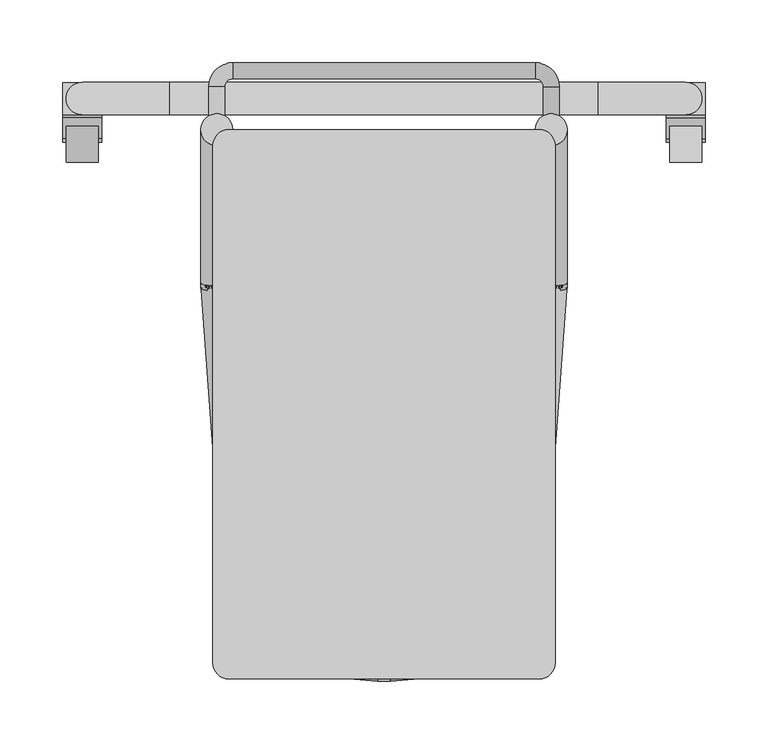
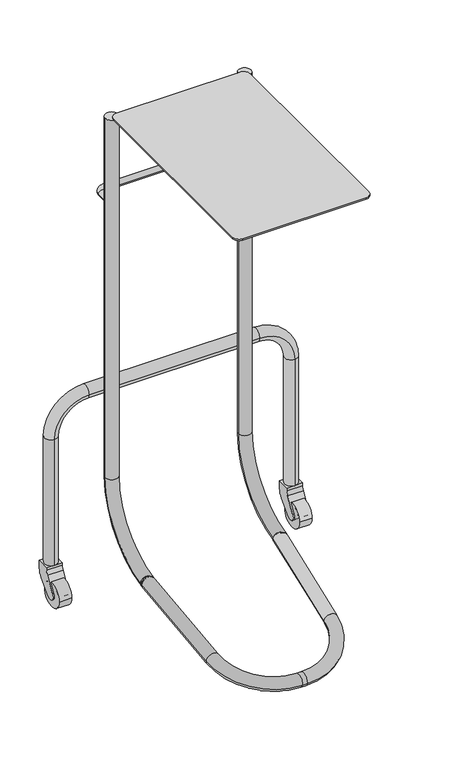
"""IFC4 building model written with IfcOpenShell, lengths in millimetres: proxy geometry."""

from ifc_helpers import new_model, si_unit, point, frame, frame_2d, origin, place, context, project, spatial, polyline, circle_curve, ellipse_curve, trimmed, segment, composite_curve, outline, extrude, source, transform, mapped, element, save
from ifc_brep_helpers import plane_surface, cylinder_surface, revolved_surface, advanced_brep


def specialty_equipment_49bd53c9(model_context):
    return source(origin(), model_context, "Body", "SolidModel", [
        advanced_brep(
        [(-126.6890783, 210.8754424, 812.8), (-139.3890783, 210.8754424, 812.8), (-126.6890783, 236.2754424, 812.8), (-139.3890783, 236.2754424, 812.8), (-120.3390783, 255.3254424, 812.8), (-120.3390783, 242.6254424, 812.8), (120.9609217, 242.6254424, 812.8), (120.9609217, 255.3254424, 812.8), (140.0109217, 236.2754424, 812.8), (127.3109217, 236.2754424, 812.8), (127.3109217, 210.8754424, 812.8), (140.0109217, 210.8754424, 812.8)],
        [
            (0, 1, circle_curve(frame((-133.0390783, 210.8754424, 812.8), z_axis=(0.0, -1.0, 0.0), x_axis=(-1.0, 0.0, 0.0)), 6.35)),
            (1, 0, circle_curve(frame((-133.0390783, 210.8754424, 812.8), z_axis=(0.0, -1.0, 0.0), x_axis=(-1.0, 0.0, 0.0)), 6.35)),
            (0, 2),
            (2, 3, circle_curve(frame((-133.0390783, 236.2754424, 812.8), z_axis=(0.0, -1.0, 0.0), x_axis=(-1.0, 0.0, 0.0)), 6.35)),
            (3, 1),
            (3, 2, circle_curve(frame((-133.0390783, 236.2754424, 812.8), z_axis=(0.0, -1.0, 0.0), x_axis=(-1.0, 0.0, 0.0)), 6.35)),
            (4, 3, circle_curve(frame((-120.3390783, 236.2754424, 812.8), z_axis=(0.0, 0.0, 1.0), x_axis=(-1.0, 0.0, 0.0)), 19.05)),
            (2, 5, circle_curve(frame((-120.3390783, 236.2754424, 812.8), z_axis=(0.0, 0.0, -1.0), x_axis=(-1.0, 0.0, 0.0)), 6.35)),
            (5, 4, circle_curve(frame((-120.3390783, 248.9754424, 812.8), z_axis=(-1.0, 0.0, 0.0), x_axis=(0.0, 1.0, 0.0)), 6.35)),
            (4, 5, circle_curve(frame((-120.3390783, 248.9754424, 812.8), z_axis=(-1.0, 0.0, 0.0), x_axis=(0.0, 1.0, 0.0)), 6.35)),
            (5, 6),
            (6, 7, circle_curve(frame((120.9609217, 248.9754424, 812.8), z_axis=(-1.0, 0.0, 0.0), x_axis=(0.0, 1.0, 0.0)), 6.35)),
            (7, 4),
            (7, 6, circle_curve(frame((120.9609217, 248.9754424, 812.8), z_axis=(-1.0, 0.0, 0.0), x_axis=(0.0, 1.0, 0.0)), 6.35)),
            (8, 7, circle_curve(frame((120.9609217, 236.2754424, 812.8), z_axis=(0.0, 0.0, 1.0), x_axis=(0.0, 1.0, 0.0)), 19.05)),
            (6, 9, circle_curve(frame((120.9609217, 236.2754424, 812.8), z_axis=(0.0, 0.0, -1.0), x_axis=(0.0, 1.0, 0.0)), 6.35)),
            (9, 8, circle_curve(frame((133.6609217, 236.2754424, 812.8), z_axis=(0.0, 1.0, 0.0), x_axis=(1.0, 0.0, 0.0)), 6.35)),
            (8, 9, circle_curve(frame((133.6609217, 236.2754424, 812.8), z_axis=(0.0, 1.0, 0.0), x_axis=(1.0, 0.0, 0.0)), 6.35)),
            (10, 11, circle_curve(frame((133.6609217, 210.8754424, 812.8), z_axis=(0.0, -1.0, 0.0), x_axis=(1.0, 0.0, 0.0)), 6.35)),
            (11, 10, circle_curve(frame((133.6609217, 210.8754424, 812.8), z_axis=(0.0, -1.0, 0.0), x_axis=(1.0, 0.0, 0.0)), 6.35)),
            (9, 10),
            (11, 8),
        ],
        [
            plane_surface(frame((-133.0390783, 210.8754424, 0.0), z_axis=(0.0, -1.0, 0.0), x_axis=(0.0, 0.0, 1.0))),
            cylinder_surface(frame((-133.0390783, 210.8754424, 812.8), z_axis=(0.0, -1.0, 0.0), x_axis=(-1.0, 0.0, 0.0)), 6.35),
            revolved_surface(trimmed(ellipse_curve(frame((-133.0390783, 236.2754424, 812.8), z_axis=(0.0, -1.0, 0.0), x_axis=(-1.0, 0.0, 0.0)), 6.35, 6.35), [point((-126.6890783, 236.2754424, 812.8))], [point((-139.3890783, 236.2754424, 812.8))], True, "CARTESIAN"), (-120.3390783, 236.2754424, 0.0), (0.0, 0.0, -1.0)),
            revolved_surface(trimmed(ellipse_curve(frame((-133.0390783, 236.2754424, 812.8), z_axis=(0.0, -1.0, 0.0), x_axis=(-1.0, 0.0, 0.0)), 6.35, 6.35), [point((-139.3890783, 236.2754424, 812.8))], [point((-126.6890783, 236.2754424, 812.8))], True, "CARTESIAN"), (-120.3390783, 236.2754424, 0.0), (0.0, 0.0, -1.0)),
            cylinder_surface(frame((-120.3390783, 248.9754424, 812.8), z_axis=(-1.0, 0.0, 0.0), x_axis=(0.0, 1.0, 0.0)), 6.35),
            revolved_surface(trimmed(ellipse_curve(frame((120.9609217, 248.9754424, 812.8), z_axis=(-1.0, 0.0, 0.0), x_axis=(0.0, 1.0, 0.0)), 6.35, 6.35), [point((120.9609217, 242.6254424, 812.8))], [point((120.9609217, 255.3254424, 812.8))], True, "CARTESIAN"), (120.9609217, 236.2754424, 0.0), (0.0, 0.0, -1.0)),
            revolved_surface(trimmed(ellipse_curve(frame((120.9609217, 248.9754424, 812.8), z_axis=(-1.0, 0.0, 0.0), x_axis=(0.0, 1.0, 0.0)), 6.35, 6.35), [point((120.9609217, 255.3254424, 812.8))], [point((120.9609217, 242.6254424, 812.8))], True, "CARTESIAN"), (120.9609217, 236.2754424, 0.0), (0.0, 0.0, -1.0)),
            plane_surface(frame((133.6609217, 210.8754424, 0.0), z_axis=(0.0, -1.0, 0.0), x_axis=(0.0, 0.0, 1.0))),
            cylinder_surface(frame((133.6609217, 236.2754424, 812.8), z_axis=(0.0, 1.0, 0.0), x_axis=(1.0, 0.0, 0.0)), 6.35),
        ],
        [
            (0, [[1, 2]]),
            (1, [[-1, 3, 4, 5]]),
            (1, [[-2, -5, 6, -3]]),
            (2, [[7, -4, 8, 9]]),
            (3, [[-8, -6, -7, 10]]),
            (4, [[-9, 11, 12, 13]]),
            (4, [[-10, -13, 14, -11]]),
            (5, [[15, -12, 16, 17]]),
            (6, [[-16, -14, -15, 18]]),
            (7, [[19, 20]]),
            (8, [[-17, 21, -20, 22]]),
            (8, [[-18, -22, -19, -21]]),
        ],
    ),
        advanced_brep(
        [(241.1146411, 213.8046841, 76.2), (241.1146411, 239.7603256, 76.2), (241.1146411, 213.8046841, 342.9), (241.1146411, 239.7603256, 342.9), (171.2646411, 239.7603256, 412.75), (171.2646411, 213.8046841, 412.75), (-170.6427977, 213.8046841, 412.75), (-170.6427977, 239.7603256, 412.75), (-240.4927977, 239.7603256, 342.9), (-240.4927977, 213.8046841, 342.9), (-240.4927977, 213.8046841, 76.2), (-240.4927977, 239.7603256, 76.2)],
        [
            (0, 1, circle_curve(frame((241.1146411, 226.7825049, 76.2), z_axis=(0.0, 0.0, -1.0), x_axis=(0.0, 1.0, 0.0)), 12.9778207)),
            (1, 0, circle_curve(frame((241.1146411, 226.7825049, 76.2), z_axis=(0.0, 0.0, -1.0), x_axis=(0.0, 1.0, 0.0)), 12.9778207)),
            (0, 2),
            (2, 3, circle_curve(frame((241.1146411, 226.7825049, 342.9), z_axis=(0.0, 0.0, -1.0), x_axis=(0.0, 1.0, 0.0)), 12.9778207)),
            (3, 1),
            (3, 2, circle_curve(frame((241.1146411, 226.7825049, 342.9), z_axis=(0.0, 0.0, -1.0), x_axis=(0.0, 1.0, 0.0)), 12.9778207)),
            (4, 3, circle_curve(frame((171.2646411, 239.7603256, 342.9), z_axis=(0.0, 1.0, 0.0), x_axis=(1.0, 0.0, 0.0)), 69.85)),
            (2, 5, circle_curve(frame((171.2646411, 213.8046841, 342.9), z_axis=(0.0, -1.0, 0.0), x_axis=(1.0, 0.0, 0.0)), 69.85)),
            (5, 4, circle_curve(frame((171.2646411, 226.7825049, 412.75), z_axis=(1.0, 0.0, 0.0), x_axis=(0.0, 1.0, 0.0)), 12.9778207)),
            (4, 5, circle_curve(frame((171.2646411, 226.7825049, 412.75), z_axis=(1.0, 0.0, 0.0), x_axis=(0.0, 1.0, 0.0)), 12.9778207)),
            (5, 6),
            (6, 7, circle_curve(frame((-170.6427977, 226.7825049, 412.75), z_axis=(1.0, 0.0, 0.0), x_axis=(0.0, 1.0, 0.0)), 12.9778207)),
            (7, 4),
            (7, 6, circle_curve(frame((-170.6427977, 226.7825049, 412.75), z_axis=(1.0, 0.0, 0.0), x_axis=(0.0, 1.0, 0.0)), 12.9778207)),
            (8, 7, circle_curve(frame((-170.6427977, 239.7603256, 342.9), z_axis=(0.0, 1.0, 0.0), x_axis=(0.0, 0.0, 1.0)), 69.85)),
            (6, 9, circle_curve(frame((-170.6427977, 213.8046841, 342.9), z_axis=(0.0, -1.0, 0.0), x_axis=(0.0, 0.0, 1.0)), 69.85)),
            (9, 8, circle_curve(frame((-240.4927977, 226.7825049, 342.9), z_axis=(0.0, 0.0, 1.0), x_axis=(0.0, 1.0, 0.0)), 12.9778207)),
            (8, 9, circle_curve(frame((-240.4927977, 226.7825049, 342.9), z_axis=(0.0, 0.0, 1.0), x_axis=(0.0, 1.0, 0.0)), 12.9778207)),
            (10, 11, circle_curve(frame((-240.4927977, 226.7825049, 76.2), z_axis=(0.0, 0.0, -1.0), x_axis=(0.0, 1.0, 0.0)), 12.9778207)),
            (11, 10, circle_curve(frame((-240.4927977, 226.7825049, 76.2), z_axis=(0.0, 0.0, -1.0), x_axis=(0.0, 1.0, 0.0)), 12.9778207)),
            (9, 10),
            (11, 8),
        ],
        [
            plane_surface(frame((241.1146411, -17.2197448, 76.2), z_axis=(0.0, 0.0, -1.0), x_axis=(0.0, 1.0, 0.0))),
            cylinder_surface(frame((241.1146411, 226.7825049, 76.2), z_axis=(0.0, 0.0, -1.0), x_axis=(0.0, 1.0, 0.0)), 12.9778207),
            revolved_surface(trimmed(ellipse_curve(frame((241.1146411, 226.7825049, 342.9), z_axis=(0.0, 0.0, -1.0), x_axis=(0.0, 1.0, 0.0)), 12.9778207, 12.9778207), [point((241.1146411, 213.8046841, 342.9))], [point((241.1146411, 239.7603256, 342.9))], True, "CARTESIAN"), (171.2646411, -17.2197448, 342.9), (0.0, -1.0, 0.0)),
            revolved_surface(trimmed(ellipse_curve(frame((241.1146411, 226.7825049, 342.9), z_axis=(0.0, 0.0, -1.0), x_axis=(0.0, 1.0, 0.0)), 12.9778207, 12.9778207), [point((241.1146411, 239.7603256, 342.9))], [point((241.1146411, 213.8046841, 342.9))], True, "CARTESIAN"), (171.2646411, -17.2197448, 342.9), (0.0, -1.0, 0.0)),
            cylinder_surface(frame((171.2646411, 226.7825049, 412.75), z_axis=(1.0, 0.0, 0.0), x_axis=(0.0, 1.0, 0.0)), 12.9778207),
            revolved_surface(trimmed(ellipse_curve(frame((-170.6427977, 226.7825049, 412.75), z_axis=(1.0, 0.0, 0.0), x_axis=(0.0, 1.0, 0.0)), 12.9778207, 12.9778207), [point((-170.6427977, 213.8046841, 412.75))], [point((-170.6427977, 239.7603256, 412.75))], True, "CARTESIAN"), (-170.6427977, -17.2197448, 342.9), (0.0, -1.0, 0.0)),
            revolved_surface(trimmed(ellipse_curve(frame((-170.6427977, 226.7825049, 412.75), z_axis=(1.0, 0.0, 0.0), x_axis=(0.0, 1.0, 0.0)), 12.9778207, 12.9778207), [point((-170.6427977, 239.7603256, 412.75))], [point((-170.6427977, 213.8046841, 412.75))], True, "CARTESIAN"), (-170.6427977, -17.2197448, 342.9), (0.0, -1.0, 0.0)),
            plane_surface(frame((-240.4927977, -17.2197448, 76.2), z_axis=(0.0, 0.0, -1.0), x_axis=(0.0, 1.0, 0.0))),
            cylinder_surface(frame((-240.4927977, 226.7825049, 342.9), z_axis=(0.0, 0.0, 1.0), x_axis=(0.0, 1.0, 0.0)), 12.9778207),
        ],
        [
            (0, [[1, 2]]),
            (1, [[-1, 3, 4, 5]]),
            (1, [[-2, -5, 6, -3]]),
            (2, [[7, -4, 8, 9]]),
            (3, [[-8, -6, -7, 10]]),
            (4, [[-9, 11, 12, 13]]),
            (4, [[-10, -13, 14, -11]]),
            (5, [[15, -12, 16, 17]]),
            (6, [[-16, -14, -15, 18]]),
            (7, [[19, 20]]),
            (8, [[-17, 21, -20, 22]]),
            (8, [[-18, -22, -19, -21]]),
        ],
    ),
        extrude(outline(composite_curve([segment(trimmed(circle_curve(frame_2d((216.9079352, 59.8228937)), 22.6440422), [point((239.5519774, 59.8228937))], [point((232.5453683, 43.4453685))], False, "CARTESIAN"), True, "CONTINUOUS"), segment(polyline([(232.5453683, 43.4453685), (208.3430256, 19.2430257)]), True, "CONTINUOUS"), segment(trimmed(circle_curve(frame_2d((201.6078335, 25.9782178)), 9.525), [point((208.3430256, 19.2430257))], [point((194.8726414, 32.7134099))], False, "CARTESIAN"), True, "CONTINUOUS"), segment(polyline([(194.8726414, 32.7134099), (211.5132649, 61.5358153)]), True, "CONTINUOUS"), segment(trimmed(circle_curve(frame_2d((194.9390027, 71.1049701)), 19.1383095), [point((211.5132649, 61.5358153))], [point((214.0560132, 70.2023074))], True, "CARTESIAN"), True, "CONTINUOUS"), segment(polyline([(214.0560132, 70.2023074), (214.0560132, 76.2), (239.5519774, 76.2), (239.5519774, 59.8228937)]), True, "CONTINUOUS")], self_intersect=False)), frame((225.5357109, 0.0, 0.0), z_axis=(1.0, 0.0, 0.0), x_axis=(0.0, 1.0, 0.0)), (0.0, 0.0, 1.0), 31.1578605),
        extrude(outline(composite_curve([segment(trimmed(circle_curve(frame_2d((201.4519773, 25.4)), 25.4), [point((176.0519773, 25.4))], [point((226.8519773, 25.4))], False, "CARTESIAN"), True, "CONTINUOUS"), segment(trimmed(circle_curve(frame_2d((201.4519773, 25.4)), 25.4), [point((226.8519773, 25.4))], [point((176.0519773, 25.4))], False, "CARTESIAN"), True, "CONTINUOUS")], self_intersect=False)), frame((228.4777015, 0.0, 0.0), z_axis=(1.0, 0.0, 0.0), x_axis=(0.0, 1.0, 0.0)), (0.0, 0.0, 1.0), 25.4),
        extrude(outline(composite_curve([segment(trimmed(circle_curve(frame_2d((216.9079352, 59.8228937)), 22.6440422), [point((239.5519774, 59.8228937))], [point((232.5453683, 43.4453685))], False, "CARTESIAN"), True, "CONTINUOUS"), segment(polyline([(232.5453683, 43.4453685), (208.3430256, 19.2430257)]), True, "CONTINUOUS"), segment(trimmed(circle_curve(frame_2d((201.6078335, 25.9782178)), 9.525), [point((208.3430256, 19.2430257))], [point((194.8726414, 32.7134099))], False, "CARTESIAN"), True, "CONTINUOUS"), segment(polyline([(194.8726414, 32.7134099), (211.5132649, 61.5358153)]), True, "CONTINUOUS"), segment(trimmed(circle_curve(frame_2d((194.9390027, 71.1049701)), 19.1383095), [point((211.5132649, 61.5358153))], [point((214.0560132, 70.2023074))], True, "CARTESIAN"), True, "CONTINUOUS"), segment(polyline([(214.0560132, 70.2023074), (214.0560132, 76.2), (239.5519774, 76.2), (239.5519774, 59.8228937)]), True, "CONTINUOUS")], self_intersect=False)), frame((-256.071728, 0.0, 0.0), z_axis=(1.0, 0.0, 0.0), x_axis=(0.0, 1.0, 0.0)), (0.0, 0.0, 1.0), 31.1578605),
        extrude(outline(composite_curve([segment(trimmed(circle_curve(frame_2d((201.4519773, 25.4)), 25.4), [point((176.0519773, 25.4))], [point((226.8519773, 25.4))], False, "CARTESIAN"), True, "CONTINUOUS"), segment(trimmed(circle_curve(frame_2d((201.4519773, 25.4)), 25.4), [point((226.8519773, 25.4))], [point((176.0519773, 25.4))], False, "CARTESIAN"), True, "CONTINUOUS")], self_intersect=False)), frame((-253.2558581, 0.0, 0.0), z_axis=(1.0, 0.0, 0.0), x_axis=(0.0, 1.0, 0.0)), (0.0, 0.0, 1.0), 25.4),
        advanced_brep(
        [(-145.7081418, 79.7843699, 86.3661535), (-120.3700149, 81.5107728, 86.764725), (-131.1843024, -122.5928577, 39.643689), (-105.8461755, -120.8664548, 40.0422606), (-4.493668, -212.9568416, 18.7815195), (-4.493668, -237.7058412, 13.0677627), (5.1155113, -237.7058412, 13.0677627), (5.1155113, -212.9568416, 18.7815195), (106.4680188, -120.8664548, 40.0422606), (131.8061457, -122.5928577, 39.643689), (146.3299851, 79.7843699, 86.3661535), (120.9918582, 81.5107728, 86.764725)],
        [
            (0, 1, circle_curve(frame((-133.0390783, 80.6475713, 86.5654393), z_axis=(-0.0697564737441234, 0.9719965482790884, 0.22440308488147717), x_axis=(0.9975640502598245, 0.06796861984125109, 0.015691792316050647)), 12.7)),
            (1, 0, circle_curve(frame((-133.0390783, 80.6475713, 86.5654393), z_axis=(-0.0697564737441234, 0.9719965482790884, 0.22440308488147717), x_axis=(0.9975640502598245, 0.06796861984125109, 0.015691792316050647)), 12.7)),
            (0, 2),
            (2, 3, circle_curve(frame((-118.5152389, -121.7296563, 39.8429748), z_axis=(-0.0697564737441234, 0.9719965482790884, 0.22440308488147717), x_axis=(0.9975640502598245, 0.06796861984125109, 0.015691792316050647)), 12.7)),
            (3, 1),
            (3, 2, circle_curve(frame((-118.5152389, -121.7296563, 39.8429748), z_axis=(-0.0697564737441234, 0.9719965482790884, 0.22440308488147717), x_axis=(0.9975640502598245, 0.06796861984125109, 0.015691792316050647)), 12.7)),
            (4, 3, circle_curve(frame((-4.493668, -113.960843, 41.6365466), z_axis=(0.0, 0.22495105434385831, -0.9743700647852368), x_axis=(-0.9975640502598243, -0.06796861984125117, -0.015691792316050664)), 101.6)),
            (2, 5, circle_curve(frame((-4.493668, -113.960843, 41.6365466), z_axis=(0.0, -0.22495105434385831, 0.9743700647852368), x_axis=(-0.9975640502598243, -0.06796861984125117, -0.015691792316050664)), 127.0)),
            (5, 4, circle_curve(frame((-4.493668, -225.3313414, 15.9246411), z_axis=(-0.9999999999999999, 0.0, 0.0), x_axis=(0.0, 0.9743700647852367, 0.2249510543438583)), 12.7)),
            (4, 5, circle_curve(frame((-4.493668, -225.3313414, 15.9246411), z_axis=(-1.0, 0.0, 0.0), x_axis=(0.0, 0.9743700647852367, 0.22495105434385831)), 12.7)),
            (5, 6),
            (6, 7, circle_curve(frame((5.1155113, -225.3313414, 15.9246411), z_axis=(-1.0, 0.0, 0.0), x_axis=(0.0, 0.9743700647852369, 0.22495105434385834)), 12.7)),
            (7, 4),
            (7, 6, circle_curve(frame((5.1155113, -225.3313414, 15.9246411), z_axis=(-1.0, 0.0, 0.0), x_axis=(0.0, 0.9743700647852369, 0.22495105434385834)), 12.7)),
            (8, 7, circle_curve(frame((5.1155113, -113.960843, 41.6365466), z_axis=(0.0, 0.22495105434385831, -0.9743700647852368), x_axis=(0.0, -0.9743700647852368, -0.22495105434385831)), 101.6)),
            (6, 9, circle_curve(frame((5.1155113, -113.960843, 41.6365466), z_axis=(0.0, -0.22495105434385831, 0.9743700647852368), x_axis=(0.0, -0.9743700647852368, -0.22495105434385831)), 127.0)),
            (9, 8, circle_curve(frame((119.1370823, -121.7296563, 39.8429748), z_axis=(-0.06975647374412788, -0.971996548279088, -0.22440308488147714), x_axis=(-0.9975640502598241, 0.06796861984125566, 0.015691792316050824)), 12.7)),
            (8, 9, circle_curve(frame((119.1370823, -121.7296563, 39.8429748), z_axis=(-0.06975647374412833, -0.971996548279088, -0.22440308488147714), x_axis=(-0.9975640502598241, 0.06796861984125609, 0.01569179231605092)), 12.7)),
            (10, 11, circle_curve(frame((133.6609217, 80.6475713, 86.5654393), z_axis=(0.06975647374412713, 0.9719965482790881, 0.22440308488147723), x_axis=(-0.9975640502598242, 0.06796861984125492, 0.015691792316050664)), 12.7)),
            (11, 10, circle_curve(frame((133.6609217, 80.6475713, 86.5654393), z_axis=(0.06975647374412713, 0.9719965482790881, 0.22440308488147723), x_axis=(-0.9975640502598242, 0.06796861984125492, 0.015691792316050664)), 12.7)),
            (9, 10),
            (11, 8),
        ],
        [
            plane_surface(frame((-133.0390783, 80.6475713, 86.5654393), z_axis=(-0.0697564737441234, 0.9719965482790884, 0.22440308488147717), x_axis=(0.0, -0.22495105434385831, 0.9743700647852368))),
            cylinder_surface(frame((-133.0390783, 80.6475713, 86.5654393), z_axis=(-0.0697564737441234, 0.9719965482790884, 0.22440308488147717), x_axis=(0.9975640502598245, 0.06796861984125109, 0.015691792316050647)), 12.7),
            revolved_surface(trimmed(ellipse_curve(frame((-118.5152389, -121.7296563, 39.8429748), z_axis=(-0.06975647374412344, 0.9719965482790882, 0.22440308488147712), x_axis=(0.9975640502598243, 0.06796861984125113, 0.01569179231605066)), 12.7, 12.7), [point((-131.1843024, -122.5928577, 39.643689))], [point((-105.8461755, -120.8664548, 40.0422606))], True, "CARTESIAN"), (-4.493668, -113.960843, 41.6365466), (0.0, -0.22495105434385831, 0.9743700647852368)),
            revolved_surface(trimmed(ellipse_curve(frame((-118.5152389, -121.7296563, 39.8429748), z_axis=(-0.06975647374412344, 0.9719965482790882, 0.22440308488147712), x_axis=(0.9975640502598243, 0.06796861984125113, 0.01569179231605066)), 12.7, 12.7), [point((-105.8461755, -120.8664548, 40.0422606))], [point((-131.1843024, -122.5928577, 39.643689))], True, "CARTESIAN"), (-4.493668, -113.960843, 41.6365466), (0.0, -0.22495105434385831, 0.9743700647852368)),
            cylinder_surface(frame((-4.493668, -225.3313414, 15.9246411), z_axis=(-1.0000000000000002, 0.0, 0.0), x_axis=(0.0, 0.9743700647852369, 0.22495105434385834)), 12.7),
            revolved_surface(trimmed(ellipse_curve(frame((5.1155113, -225.3313414, 15.9246411), z_axis=(-1.0, 0.0, 0.0), x_axis=(0.0, 0.9743700647852368, 0.22495105434385831)), 12.7, 12.7), [point((5.1155113, -237.7058412, 13.0677627))], [point((5.1155113, -212.9568416, 18.7815195))], True, "CARTESIAN"), (5.1155113, -113.960843, 41.6365466), (0.0, -0.22495105434385831, 0.9743700647852368)),
            revolved_surface(trimmed(ellipse_curve(frame((5.1155113, -225.3313414, 15.9246411), z_axis=(-1.0, 0.0, 0.0), x_axis=(0.0, 0.9743700647852368, 0.22495105434385831)), 12.7, 12.7), [point((5.1155113, -212.9568416, 18.7815195))], [point((5.1155113, -237.7058412, 13.0677627))], True, "CARTESIAN"), (5.1155113, -113.960843, 41.6365466), (0.0, -0.22495105434385831, 0.9743700647852368)),
            plane_surface(frame((133.6609217, 80.6475713, 86.5654393), z_axis=(0.06975647374412708, 0.971996548279088, 0.22440308488147714), x_axis=(0.0, -0.22495105434385834, 0.9743700647852368))),
            cylinder_surface(frame((119.1370823, -121.7296563, 39.8429748), z_axis=(-0.06975647374412713, -0.9719965482790881, -0.22440308488147723), x_axis=(-0.9975640502598242, 0.06796861984125492, 0.015691792316050664)), 12.7),
        ],
        [
            (0, [[1, 2]]),
            (1, [[-1, 3, 4, 5]]),
            (1, [[-2, -5, 6, -3]]),
            (2, [[7, -4, 8, 9]]),
            (3, [[-8, -6, -7, 10]]),
            (4, [[-9, 11, 12, 13]]),
            (4, [[-10, -13, 14, -11]]),
            (5, [[15, -12, 16, 17]]),
            (6, [[-16, -14, -15, 18]]),
            (7, [[19, 20]]),
            (8, [[-17, 21, -20, 22]]),
            (8, [[-18, -22, -19, -21]]),
        ],
    ),
        advanced_brep(
        [(146.3609217, 201.8552552, 996.6409151), (120.9609217, 201.8552552, 996.6409151), (146.3609217, 201.8552552, 235.8329339), (120.9609217, 201.8552552, 235.8329339), (146.3609217, 75.5574845, 85.6848949), (120.9609217, 75.5574845, 85.6848949)],
        [
            (0, 1, circle_curve(frame((133.6609217, 201.8552552, 996.6409151), z_axis=(0.0, 0.0, 1.0), x_axis=(-1.0, 0.0, 0.0)), 12.7)),
            (1, 0, circle_curve(frame((133.6609217, 201.8552552, 996.6409151), z_axis=(0.0, 0.0, 1.0), x_axis=(-1.0, 0.0, 0.0)), 12.7)),
            (0, 2),
            (2, 3, circle_curve(frame((133.6609217, 201.8552552, 235.8329339), z_axis=(0.0, 0.0, 1.0), x_axis=(-1.0, 0.0, 0.0)), 12.7)),
            (3, 1),
            (3, 2, circle_curve(frame((133.6609217, 201.8552552, 235.8329339), z_axis=(0.0, 0.0, 1.0), x_axis=(-1.0, 0.0, 0.0)), 12.7)),
            (4, 5, circle_curve(frame((133.6609217, 75.5574845, 85.6848949), z_axis=(0.0, -0.9852233532397917, -0.1712744704587949), x_axis=(-1.0, 0.0, 0.0)), 12.7)),
            (5, 4, circle_curve(frame((133.6609217, 75.5574845, 85.6848949), z_axis=(0.0, -0.9852233532397917, -0.1712744704587949), x_axis=(-1.0, 0.0, 0.0)), 12.7)),
            (5, 3, circle_curve(frame((120.9609217, 49.4552552, 235.8329339), z_axis=(1.0, 0.0, 0.0), x_axis=(0.0, 1.0, 0.0)), 152.4)),
            (2, 4, circle_curve(frame((146.3609217, 49.4552552, 235.8329339), z_axis=(-1.0, 0.0, 0.0), x_axis=(0.0, 1.0, 0.0)), 152.4)),
        ],
        [
            plane_surface(frame((0.3109217, 201.8552552, 996.6409151), z_axis=(0.0, 0.0, 1.0), x_axis=(-1.0, 0.0, 0.0))),
            cylinder_surface(frame((133.6609217, 201.8552552, 996.6409151), z_axis=(0.0, 0.0, 1.0), x_axis=(-1.0, 0.0, 0.0)), 12.7),
            plane_surface(frame((0.3109217, 75.5574845, 85.6848949), z_axis=(0.0, -0.9852233532397917, -0.17127447045879493), x_axis=(-1.0, 0.0, 0.0))),
            revolved_surface(trimmed(ellipse_curve(frame((133.6609217, 201.8552552, 235.8329339), z_axis=(0.0, 0.0, 1.0), x_axis=(-1.0, 0.0, 0.0)), 12.7, 12.7), [point((146.3609217, 201.8552552, 235.8329339))], [point((120.9609217, 201.8552552, 235.8329339))], True, "CARTESIAN"), (0.3109217, 49.4552552, 235.8329339), (-1.0, 0.0, 0.0)),
            revolved_surface(trimmed(ellipse_curve(frame((133.6609217, 201.8552552, 235.8329339), z_axis=(0.0, 0.0, 1.0), x_axis=(-1.0, 0.0, 0.0)), 12.7, 12.7), [point((120.9609217, 201.8552552, 235.8329339))], [point((146.3609217, 201.8552552, 235.8329339))], True, "CARTESIAN"), (0.3109217, 49.4552552, 235.8329339), (-1.0, 0.0, 0.0)),
        ],
        [
            (0, [[1, 2]]),
            (1, [[-1, 3, 4, 5]]),
            (1, [[-2, -5, 6, -3]]),
            (2, [[7, 8]]),
            (3, [[9, -4, 10, -8]]),
            (4, [[-10, -6, -9, -7]]),
        ],
    ),
        advanced_brep(
        [(-145.7390783, 201.8552552, 996.6409151), (-120.3390783, 201.8552552, 996.6409151), (-145.7390783, 201.8552552, 235.8329339), (-120.3390783, 201.8552552, 235.8329339), (-145.7390783, 75.5574845, 85.6848949), (-120.3390783, 75.5574845, 85.6848949)],
        [
            (0, 1, circle_curve(frame((-133.0390783, 201.8552552, 996.6409151), z_axis=(0.0, 0.0, 1.0), x_axis=(1.0, 0.0, 0.0)), 12.7)),
            (1, 0, circle_curve(frame((-133.0390783, 201.8552552, 996.6409151), z_axis=(0.0, 0.0, 1.0), x_axis=(1.0, 0.0, 0.0)), 12.7)),
            (0, 2),
            (2, 3, circle_curve(frame((-133.0390783, 201.8552552, 235.8329339), z_axis=(0.0, 0.0, 1.0), x_axis=(1.0, 0.0, 0.0)), 12.7)),
            (3, 1),
            (3, 2, circle_curve(frame((-133.0390783, 201.8552552, 235.8329339), z_axis=(0.0, 0.0, 1.0), x_axis=(1.0, 0.0, 0.0)), 12.7)),
            (4, 5, circle_curve(frame((-133.0390783, 75.5574845, 85.6848949), z_axis=(0.0, -0.9852233532397917, -0.1712744704587949), x_axis=(1.0, 0.0, 0.0)), 12.7)),
            (5, 4, circle_curve(frame((-133.0390783, 75.5574845, 85.6848949), z_axis=(0.0, -0.9852233532397917, -0.1712744704587949), x_axis=(1.0, 0.0, 0.0)), 12.7)),
            (5, 3, circle_curve(frame((-120.3390783, 49.4552552, 235.8329339), z_axis=(1.0, 0.0, 0.0), x_axis=(0.0, 1.0, 0.0)), 152.4)),
            (2, 4, circle_curve(frame((-145.7390783, 49.4552552, 235.8329339), z_axis=(-1.0, 0.0, 0.0), x_axis=(0.0, 1.0, 0.0)), 152.4)),
        ],
        [
            plane_surface(frame((0.3109217, 201.8552552, 996.6409151), z_axis=(0.0, 0.0, 1.0), x_axis=(1.0, 0.0, 0.0))),
            cylinder_surface(frame((-133.0390783, 201.8552552, 996.6409151), z_axis=(0.0, 0.0, 1.0), x_axis=(1.0, 0.0, 0.0)), 12.7),
            plane_surface(frame((0.3109217, 75.5574845, 85.6848949), z_axis=(0.0, -0.9852233532397917, -0.17127447045879493), x_axis=(1.0, 0.0, 0.0))),
            revolved_surface(trimmed(ellipse_curve(frame((-133.0390783, 201.8552552, 235.8329339), z_axis=(0.0, 0.0, 1.0), x_axis=(1.0, 0.0, 0.0)), 12.7, 12.7), [point((-145.7390783, 201.8552552, 235.8329339))], [point((-120.3390783, 201.8552552, 235.8329339))], True, "CARTESIAN"), (0.3109217, 49.4552552, 235.8329339), (-1.0, 0.0, 0.0)),
            revolved_surface(trimmed(ellipse_curve(frame((-133.0390783, 201.8552552, 235.8329339), z_axis=(0.0, 0.0, 1.0), x_axis=(1.0, 0.0, 0.0)), 12.7, 12.7), [point((-120.3390783, 201.8552552, 235.8329339))], [point((-145.7390783, 201.8552552, 235.8329339))], True, "CARTESIAN"), (0.3109217, 49.4552552, 235.8329339), (-1.0, 0.0, 0.0)),
        ],
        [
            (0, [[1, 2]]),
            (1, [[-1, 3, 4, 5]]),
            (1, [[-2, -5, 6, -3]]),
            (2, [[7, 8]]),
            (3, [[9, -4, 10, -8]]),
            (4, [[-10, -6, -9, -7]]),
        ],
    ),
        extrude(outline(composite_curve([segment(trimmed(circle_curve(frame_2d((-123.5140783, 189.1552552)), 12.7), [point((-136.2140783, 189.1552552))], [point((-123.5140783, 201.8552552))], False, "CARTESIAN"), True, "CONTINUOUS"), segment(polyline([(-123.5140783, 201.8552552), (124.1359217, 201.8552552)]), True, "CONTINUOUS"), segment(trimmed(circle_curve(frame_2d((124.1359217, 189.1552552)), 12.7), [point((124.1359217, 201.8552552))], [point((136.8359217, 189.1552552))], False, "CARTESIAN"), True, "CONTINUOUS"), segment(polyline([(136.8359217, 189.1552552), (136.8359217, -223.5947448)]), True, "CONTINUOUS"), segment(trimmed(circle_curve(frame_2d((124.1359217, -223.5947448)), 12.7), [point((136.8359217, -223.5947448))], [point((124.1359217, -236.2947448))], False, "CARTESIAN"), True, "CONTINUOUS"), segment(polyline([(124.1359217, -236.2947448), (-123.5140783, -236.2947448)]), True, "CONTINUOUS"), segment(trimmed(circle_curve(frame_2d((-123.5140783, -223.5947448)), 12.7), [point((-123.5140783, -236.2947448))], [point((-136.2140783, -223.5947448))], False, "CARTESIAN"), True, "CONTINUOUS"), segment(polyline([(-136.2140783, -223.5947448), (-136.2140783, 189.1552552)]), True, "CONTINUOUS")], self_intersect=False)), frame((0.0, 0.0, 996.6409151), z_axis=(0.0, 0.0, 1.0), x_axis=(1.0, 0.0, 0.0)), (0.0, 0.0, 1.0), 3.175),
    ])


if __name__ == "__main__":
    model = new_model("IFC4")
    model_context = context("Model", 3, world=origin())
    ifc_project = project(units=[si_unit("LENGTHUNIT", "METRE", prefix="MILLI")], contexts=[model_context])
    site = spatial("IfcSite", under=ifc_project)
    building = spatial("IfcBuilding", under=site)
    placement = place(None, origin())
    specialty_equipment_shape = specialty_equipment_49bd53c9(model_context)
    element("IfcBuildingElementProxy", 1, Name="Specialty Equipment", at=placement, inside=building, context=model_context, shape_type="MappedRepresentation", body=[
        mapped(specialty_equipment_shape, transform((0.0, 0.0, 0.0), x_axis=(1.0, 0.0, 0.0), y_axis=(0.0, 1.0, 0.0), z_axis=(0.0, 0.0, 1.0))),
    ])
    save(model, "model.ifc")
